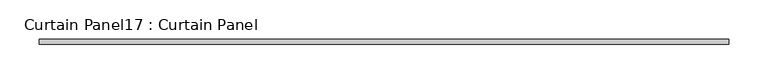
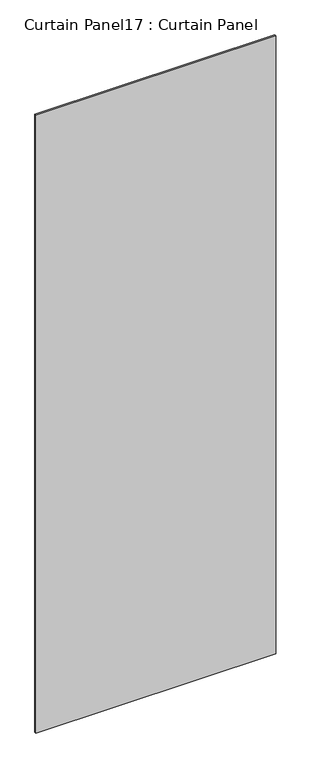
"""IFC4 building model written with IfcOpenShell, lengths in millimetres: plate geometry, Curtain Panel17 : Curtain Panel."""

from ifc_helpers import new_model, si_unit, frame, origin, place, context, project, spatial, polyline, outline, extrude, source, transform, mapped, element, save


def curtain_panel17_curtain_panel_3ce56878(model_context):
    return source(origin(), model_context, "Body", "SweptSolid", [
        extrude(outline(polyline([(-30356.26224, -1994.9269283), (-31234.1910475, -1994.9269283), (-31234.1910475, -1988.5769283), (-30356.26224, -1988.5769283), (-30356.26224, -1994.9269283)])), frame((0.0, 0.0, 23.7744), z_axis=(0.0, 0.0, 1.0), x_axis=(1.0, 0.0, 0.0)), (0.0, 0.0, 1.0), 2390.8512),
    ])


if __name__ == "__main__":
    model = new_model("IFC4")
    model_context = context("Model", 3, world=origin())
    ifc_project = project(units=[si_unit("LENGTHUNIT", "METRE", prefix="MILLI")], contexts=[model_context])
    site = spatial("IfcSite", under=ifc_project)
    building = spatial("IfcBuilding", under=site)
    placement = place(None, origin())
    curtain_panel17_curtain_panel_shape = curtain_panel17_curtain_panel_3ce56878(model_context)
    element("IfcPlate", 1, ObjectType="Curtain Panel17 : Curtain Panel", at=placement, inside=building, context=model_context, shape_type="MappedRepresentation", body=[
        mapped(curtain_panel17_curtain_panel_shape, transform((0.0, 0.0, 0.0), x_axis=(1.0, 0.0, 0.0), y_axis=(0.0, 1.0, 0.0), z_axis=(0.0, 0.0, 1.0))),
    ])
    save(model, "model.ifc")
